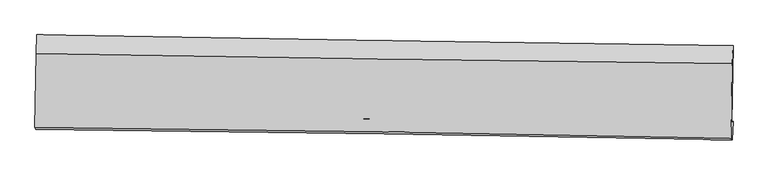
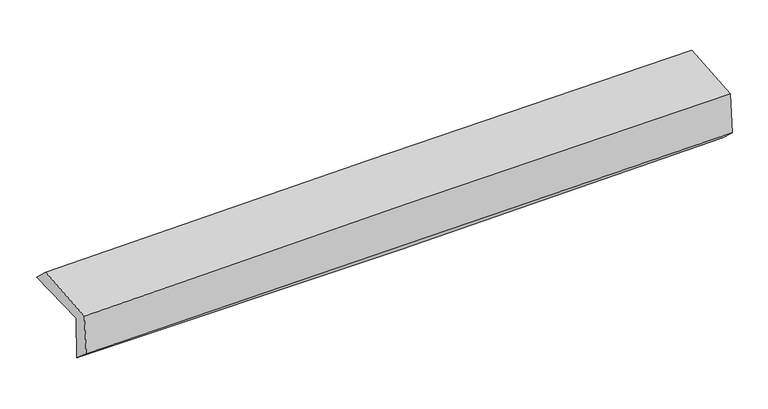
"""IFC4 building model written with IfcOpenShell, lengths in millimetres: proxy geometry."""

from ifc_helpers import new_model, si_unit, frame, origin, place, context, project, spatial, source, transform, mapped, element, save
from ifc_brep_helpers import plane_surface, spline_curve, spline_surface, advanced_brep


def generic_models_a28fd091(model_context):
    return source(origin(), model_context, "Body", "AdvancedBrep", [
        advanced_brep(
        [(-3025.5623221, -1753.0787696, 1960.4079577), (-3013.8507173, -1085.8630976, 1963.4175827), (3013.772635, -1179.627514, 2106.0303045), (3002.3890948, -1846.2041821, 2091.1056648), (-3014.6768151, -1743.1457408, 1557.5645432), (3013.0978602, -1835.5435052, 1695.3938972), (-3021.3914283, -1906.8507407, 1701.3051282), (3006.2332987, -1999.0520673, 1844.9052), (-3030.82983, -1890.2442656, 2067.3592902), (2996.2348634, -1984.5550307, 2230.6221673), (-3020.583767, -1246.8408178, 2109.6645818), (3006.8343219, -1336.4330548, 2262.7715001)],
        [
            (0, 1),
            (1, 2, spline_curve(3, [(-3013.8507173, -1085.8630976, 1963.4175827), (-2009.097722831, -1105.123452875, 1978.965027324), (-1004.416649821, -1122.567363418, 1998.623227001), (1004.791132616, -1153.822130538, 2046.160887102), (2009.317843877, -1167.633025864, 2074.040261504), (3013.772635, -1179.627514, 2106.0303045)], [4, 2, 4], [0.0, 9.89201024579967, 19.783916907015524])),
            (2, 3),
            (3, 0, spline_curve(3, [(3002.3890948, -1846.2041821, 2091.1056648), (1997.66259938, -1840.908826513, 2064.88225882), (992.972697119, -1830.500765222, 2040.879125596), (-1016.344442897, -1799.45906825, 1997.313176501), (-2020.97167926, -1778.825325555, 1977.750407493), (-3025.5623221, -1753.0787696, 1960.4079577)], [4, 2, 4], [0.0, 9.891906661215854, 19.783916907015524])),
            (4, 0),
            (3, 5),
            (5, 4, spline_curve(3, [(3013.0978602, -1835.5435052, 1695.3938972), (2008.6701324, -1823.772922702, 1662.237064996), (1004.144342429, -1810.187867376, 1634.172902892), (-1005.113880498, -1779.388650565, 1588.229677959), (-2009.846315941, -1762.174451034, 1570.350722108), (-3014.6768151, -1743.1457408, 1557.5645432)], [4, 2, 4], [0.0, 9.891944605312286, 19.783992795605727])),
            (6, 4),
            (5, 7),
            (7, 6, spline_curve(3, [(3006.2332987, -1999.0520673, 1844.9052), (2001.76490691, -1978.512259937, 1819.107196552), (997.23128072, -1960.558939125, 1794.241579919), (-1011.976960128, -1929.825109159, 1746.37486966), (-2016.651576228, -1917.044654728, 1723.3737957), (-3021.3914283, -1906.8507407, 1701.3051282)], [4, 2, 4], [0.0, 9.89181319241686, 19.783729968438763])),
            (8, 6),
            (7, 9),
            (9, 8, spline_curve(3, [(2996.2348634, -1984.5550307, 2230.6221673), (1991.701589027, -1962.353670301, 2208.369166292), (987.182190232, -1943.393783987, 2183.637510195), (-1021.839374662, -1911.956794215, 2129.216602869), (-2026.34154043, -1899.479759162, 2099.527299867), (-3030.82983, -1890.2442656, 2067.3592902)], [4, 2, 4], [0.0, 9.891763147249426, 19.78362987757984])),
            (10, 8),
            (9, 11),
            (11, 10, spline_curve(3, [(3006.8343219, -1336.4330548, 2262.7715001), (2002.015981307, -1323.395979453, 2245.149022899), (997.324599461, -1309.411466321, 2223.57896232), (-1011.814765908, -1279.547407117, 2172.543405268), (-2016.262747191, -1263.667841283, 2143.077826758), (-3020.583767, -1246.8408178, 2109.6645818)], [4, 2, 4], [0.0, 9.891777092882432, 19.783657768991883])),
            (1, 10),
            (11, 2),
        ],
        [
            spline_surface(3, 3, [[(-3025.5623221, -1753.0787696, 1960.4079577), (-2020.971679202, -1778.825325395, 1977.750407504), (-1016.344442766, -1799.459068199, 1997.313176604), (992.972696988, -1830.500765273, 2040.879125494), (1997.662599477, -1840.908826666, 2064.882258714), (3002.3890948, -1846.2041821, 2091.1056648)], [(-3021.658453832, -1530.673545581, 1961.411166042), (-2017.013693714, -1554.258034538, 1978.155280825), (-1012.368511811, -1573.828499879, 1997.749860075), (996.912175559, -1604.941220405, 2042.639712673), (2001.547680955, -1616.483559701, 2067.934926254), (3006.183608189, -1624.0119594, 2096.080544674)], [(-3017.754585568, -1308.268321619, 1962.414374358), (-2013.055708229, -1329.690743739, 1978.560154122), (-1008.392580858, -1348.197931584, 1998.186543573), (1000.851654128, -1379.381675561, 2044.400299879), (2005.432762465, -1392.058292735, 2070.987593871), (3009.978121611, -1401.8197367, 2101.055424626)], [(-3013.8507173, -1085.8630976, 1963.4175827), (-2009.097722741, -1105.123452882, 1978.965027443), (-1004.416649904, -1122.567363264, 1998.623227044), (1004.791132699, -1153.822130693, 2046.160887058), (2009.317843944, -1167.633025769, 2074.040261412), (3013.772635, -1179.627514, 2106.0303045)]], [4, 4], [4, 2, 4], [0.0, 2.2207917793949403], [0.0, 9.89201024579967, 19.783916907015524]),
            spline_surface(3, 3, [[(-3014.6768151, -1743.1457408, 1557.5645432), (-2009.846315922, -1762.174450939, 1570.350722214), (-1005.113880544, -1779.388650576, 1588.229678099), (1004.144342475, -1810.187867366, 1634.172902751), (2008.670132251, -1823.772922546, 1662.237064878), (3013.0978602, -1835.5435052, 1695.3938972)], [(-3018.305317465, -1746.456750394, 1691.845681348), (-2013.554770381, -1767.724742419, 1706.150617292), (-1008.857401296, -1786.078789795, 1724.590844292), (1000.420460635, -1816.958833346, 1769.74164369), (2005.000954676, -1829.484890575, 1796.452129501), (3009.528271749, -1839.097064155, 1827.297819744)], [(-3021.933819735, -1749.767760006, 1826.126819552), (-2017.263224744, -1773.275033915, 1841.950512426), (-1012.600922014, -1792.76892898, 1860.952010411), (996.696578828, -1823.729799292, 1905.310384555), (2001.331777052, -1835.196858638, 1930.667194091), (3005.958683251, -1842.650623145, 1959.201742256)], [(-3025.5623221, -1753.0787696, 1960.4079577), (-2020.971679202, -1778.825325395, 1977.750407504), (-1016.344442766, -1799.459068199, 1997.313176604), (992.972696988, -1830.500765273, 2040.879125494), (1997.662599477, -1840.908826666, 2064.882258714), (3002.3890948, -1846.2041821, 2091.1056648)]], [4, 4], [4, 2, 4], [0.0, 1.3403802841584467], [0.0, 9.89204819029344, 19.783992795605727]),
            spline_surface(3, 3, [[(-3021.3914283, -1906.8507407, 1701.3051282), (-2016.65157636, -1917.044654614, 1723.373795751), (-1011.976960189, -1929.825109304, 1746.374869731), (997.231280782, -1960.55893898, 1794.241579849), (2001.764906937, -1978.512259879, 1819.107196488), (3006.2332987, -1999.0520673, 1844.9052)], [(-3019.153223897, -1852.282407399, 1653.391599875), (-2014.383156211, -1865.421253388, 1672.366104581), (-1009.689266975, -1879.67962307, 1693.659805843), (999.535634679, -1910.43524845, 1740.885354139), (2004.06664868, -1926.932480786, 1766.81715263), (3008.521485839, -1944.549213284, 1795.068099079)], [(-3016.915019503, -1797.714074101, 1605.478071525), (-2012.114736071, -1813.797852165, 1621.358413384), (-1007.401573759, -1829.53413681, 1640.944741988), (1001.839988578, -1860.311557895, 1687.529128461), (2006.368390507, -1875.35270164, 1714.527108736), (3010.809673061, -1890.046359216, 1745.230998121)], [(-3014.6768151, -1743.1457408, 1557.5645432), (-2009.846315922, -1762.174450939, 1570.350722214), (-1005.113880544, -1779.388650576, 1588.229678099), (1004.144342475, -1810.187867366, 1634.172902751), (2008.670132251, -1823.772922546, 1662.237064878), (3013.0978602, -1835.5435052, 1695.3938972)]], [4, 4], [4, 2, 4], [0.0, 0.7186743373753158], [0.0, 9.891916776021903, 19.783729968438763]),
            spline_surface(3, 3, [[(-3030.82983, -1890.2442656, 2067.3592902), (-2026.3415403, -1899.479759063, 2099.52730001), (-1021.839374601, -1911.95679431, 2129.216602987), (987.182190171, -1943.393783892, 2183.637510076), (1991.701588909, -1962.353670356, 2208.369166198), (2996.2348634, -1984.5550307, 2230.6221673)], [(-3027.683696085, -1895.779757323, 1945.341236187), (-2023.111552305, -1905.33472427, 1974.142798577), (-1018.551903135, -1917.912899293, 2001.602691903), (990.531887037, -1949.115502239, 2053.838866669), (1995.056028256, -1967.739866864, 2078.615176304), (2999.567675171, -1989.387376234, 2102.049844876)], [(-3024.537562215, -1901.315248977, 1823.323182213), (-2019.881564355, -1911.189689408, 1848.758297184), (-1015.264431656, -1923.869004322, 1873.988780815), (993.881583915, -1954.837220633, 1924.040223256), (1998.41046759, -1973.126063371, 1948.861186382), (3002.900486929, -1994.219721766, 1973.477522424)], [(-3021.3914283, -1906.8507407, 1701.3051282), (-2016.65157636, -1917.044654614, 1723.373795751), (-1011.976960189, -1929.825109304, 1746.374869731), (997.231280782, -1960.55893898, 1794.241579849), (2001.764906937, -1978.512259879, 1819.107196488), (3006.2332987, -1999.0520673, 1844.9052)]], [4, 4], [4, 2, 4], [0.0, 1.2685174681251425], [0.0, 9.891866730330415, 19.78362987757984]),
            spline_surface(3, 3, [[(-3020.583767, -1246.8408178, 2109.6645818), (-2016.262747178, -1263.667841445, 2143.077826864), (-1011.814766033, -1279.547407136, 2172.543405413), (997.324599586, -1309.411466302, 2223.578962175), (2002.015981421, -1323.395979595, 2245.149023051), (3006.8343219, -1336.4330548, 2262.7715001)], [(-3023.999121334, -1461.308633722, 2095.562817951), (-2019.622344887, -1475.605147307, 2128.560984597), (-1015.156302217, -1490.350536189, 2158.101137942), (993.943796453, -1520.738905493, 2210.265144813), (1998.577850604, -1536.381876491, 2232.889070748), (3003.301169087, -1552.473713409, 2252.055055815)], [(-3027.414475666, -1675.776449678, 2081.461054049), (-2022.981942592, -1687.542453202, 2114.044142277), (-1018.497838417, -1701.153665258, 2143.658870458), (990.562993304, -1732.066344701, 2196.951327438), (1995.139719726, -1749.36777346, 2220.6291185), (2999.768016213, -1768.514372091, 2241.338611585)], [(-3030.82983, -1890.2442656, 2067.3592902), (-2026.3415403, -1899.479759063, 2099.52730001), (-1021.839374601, -1911.95679431, 2129.216602987), (987.182190171, -1943.393783892, 2183.637510076), (1991.701588909, -1962.353670356, 2208.369166198), (2996.2348634, -1984.5550307, 2230.6221673)]], [4, 4], [4, 2, 4], [0.0, 2.082162897375985], [0.0, 9.891880676109452, 19.783657768991883]),
            spline_surface(3, 3, [[(-3013.8507173, -1085.8630976, 1963.4175827), (-2009.097722741, -1105.123452882, 1978.965027443), (-1004.416649904, -1122.567363264, 1998.623227044), (1004.791132699, -1153.822130693, 2046.160887058), (2009.317843944, -1167.633025769, 2074.040261412), (3013.772635, -1179.627514, 2106.0303045)], [(-3016.095067186, -1139.522337681, 2012.166582398), (-2011.486064207, -1157.971582418, 2033.669293914), (-1006.882688604, -1174.894044564, 2056.596619824), (1002.302288337, -1205.685242572, 2105.30024542), (2006.883889767, -1219.554010396, 2131.076515303), (3011.459863964, -1231.896027618, 2158.277369712)], [(-3018.339417114, -1193.181577719, 2060.915582102), (-2013.874405713, -1210.81971191, 2088.373560393), (-1009.348727333, -1227.220725836, 2114.570012634), (999.813443947, -1257.548354422, 2164.439603813), (2004.449935597, -1271.474994968, 2188.112769159), (3009.147092936, -1284.164541182, 2210.524434888)], [(-3020.583767, -1246.8408178, 2109.6645818), (-2016.262747178, -1263.667841445, 2143.077826864), (-1011.814766033, -1279.547407136, 2172.543405413), (997.324599586, -1309.411466302, 2223.578962175), (2002.015981421, -1323.395979595, 2245.149023051), (3006.8343219, -1336.4330548, 2262.7715001)]], [4, 4], [4, 2, 4], [0.0, 0.7717981937338854], [0.0, 9.891845951260136, 19.78358831965687]),
            plane_surface(frame((3006.4270123, -1696.902559, 2038.4714556), z_axis=(0.9994908184123564, -0.017663875213777828, 0.026572380808461932), x_axis=(0.025894713885860798, -0.03754553620048148, -0.9989593567829412))),
            plane_surface(frame((-3021.1491466, -1604.3372387, 1893.286514), z_axis=(-0.9994908184123639, 0.017663875213736076, -0.026572380808210047), x_axis=(-0.017550070258840728, -0.9998358140681686, -0.0045099823228530785))),
        ],
        [
            (0, [[1, 2, 3, 4]]),
            (1, [[5, -4, 6, 7]]),
            (2, [[8, -7, 9, 10]]),
            (3, [[11, -10, 12, 13]]),
            (4, [[14, -13, 15, 16]]),
            (5, [[17, -16, 18, -2]]),
            (6, [[-12, -9, -6, -3, -18, -15]]),
            (7, [[-1, -5, -8, -11, -14, -17]]),
        ],
    ),
    ])


if __name__ == "__main__":
    model = new_model("IFC4")
    model_context = context("Model", 3, world=origin())
    ifc_project = project(units=[si_unit("LENGTHUNIT", "METRE", prefix="MILLI")], contexts=[model_context])
    site = spatial("IfcSite", under=ifc_project)
    building = spatial("IfcBuilding", under=site)
    placement = place(None, origin())
    generic_models_shape = generic_models_a28fd091(model_context)
    element("IfcBuildingElementProxy", 1, Name="Generic Models", at=placement, inside=building, context=model_context, shape_type="MappedRepresentation", body=[
        mapped(generic_models_shape, transform((0.0, 0.0, 0.0), x_axis=(1.0, 0.0, 0.0), y_axis=(0.0, 1.0, 0.0), z_axis=(0.0, 0.0, 1.0))),
    ])
    save(model, "model.ifc")
